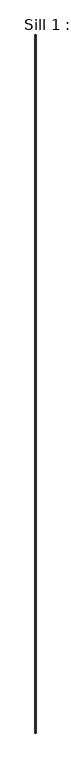
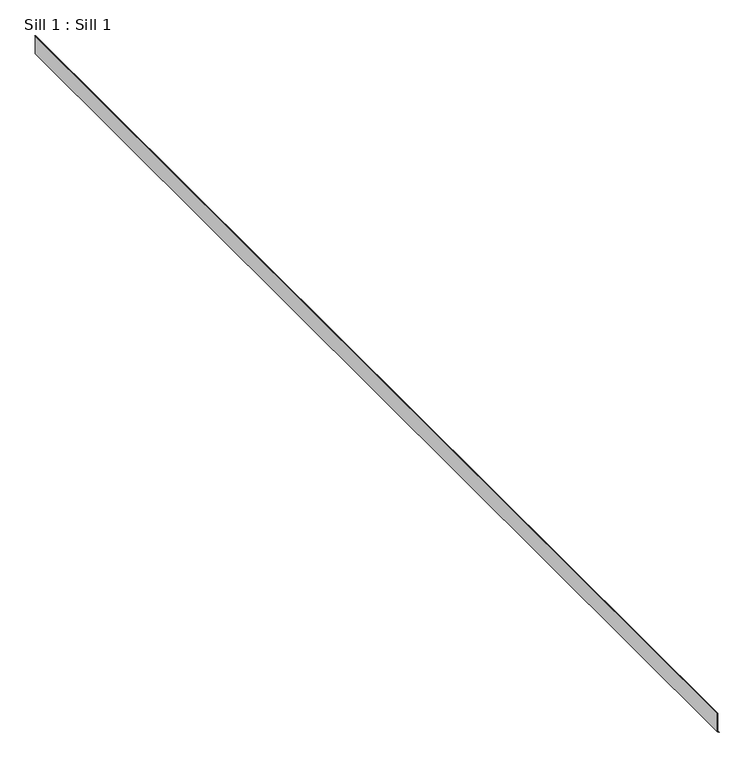
"""IFC4 building model written with IfcOpenShell, lengths in millimetres: proxy geometry, Sill 1 : Sill 1."""

from ifc_helpers import new_model, si_unit, frame, origin, place, context, project, spatial, polyline, outline, extrude, source, transform, mapped, element, save


def sill_1_sill_1_e054be23(model_context):
    return source(origin(), model_context, "Body", "SweptSolid", [
        extrude(outline(polyline([(-555.8098139, -7252.1433338), (-436.060167, -7252.1433338), (-433.6364158, -7255.074311), (-434.8554468, -7256.0823802), (-436.7868188, -7253.7468239), (-556.4519246, -7253.7468239), (-565.4458804, -7244.7528681), (-564.32308, -7243.6300677), (-555.8098139, -7252.1433338)])), frame((0.0, 5367.6209953, 0.0), z_axis=(0.0, 1.0, 0.0), x_axis=(0.0, 0.0, 1.0)), (0.0, 0.0, 1.0), 7438.7178971),
    ])


if __name__ == "__main__":
    model = new_model("IFC4")
    model_context = context("Model", 3, world=origin())
    ifc_project = project(units=[si_unit("LENGTHUNIT", "METRE", prefix="MILLI")], contexts=[model_context])
    site = spatial("IfcSite", under=ifc_project)
    building = spatial("IfcBuilding", under=site)
    placement = place(None, origin())
    sill_1_sill_1_shape = sill_1_sill_1_e054be23(model_context)
    element("IfcBuildingElementProxy", 1, Name="Sill 1 : Sill 1", ObjectType="Sill 1 : Sill 1", at=placement, inside=building, context=model_context, shape_type="MappedRepresentation", body=[
        mapped(sill_1_sill_1_shape, transform((0.0, 0.0, 0.0), x_axis=(1.0, 0.0, 0.0), y_axis=(0.0, 1.0, 0.0), z_axis=(0.0, 0.0, 1.0))),
    ])
    save(model, "model.ifc")
